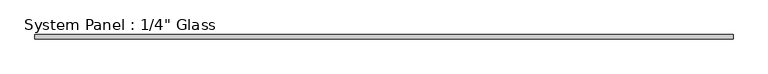
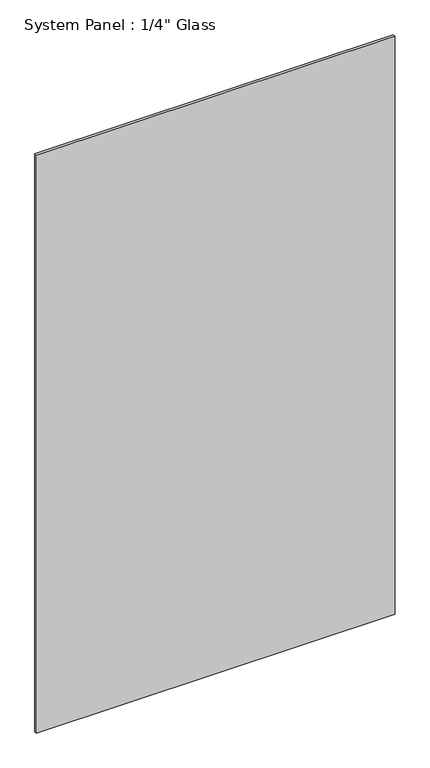
"""IFC4 building model written with IfcOpenShell, lengths in millimetres: plate geometry."""

import ifcopenshell
import ifcopenshell.guid

model = None  # the IFC model being written
_history = None  # IfcOwnerHistory: only IFC2X3 demands one
_inside = {}  # id of a spatial element -> (the spatial element, [elements in it])
_under = {}  # id of a project, library or spatial element -> (it, [spatial elements below it])
_declared = {}  # id of a project -> (the project, [libraries it declares])
_typed = {}  # id of a type object -> (the type object, [elements of that type])
_made_of = {}  # id of a material, layer set ... -> (it, [elements and type objects made of it])


def new_model(schema):
    """Start an empty IFC model of exactly this schema.

    Asked for "IFC4X3", IfcOpenShell would pick the latest addendum, in which some entities
    have other attributes; the version numbers below select the first issue.
    IFC2X3 requires an IfcOwnerHistory on every rooted entity: one is made here for all.
    """
    global model, _history
    if schema == "IFC4X3":
        model = ifcopenshell.file(schema_version=(4, 3, 0, 0))
    else:
        model = ifcopenshell.file(schema=schema)
    _inside.clear()
    _under.clear()
    _declared.clear()
    _typed.clear()
    _made_of.clear()
    _history = None
    if model.schema == "IFC2X3":
        org = make("IfcOrganization", Name="unknown")
        user = make(
            "IfcPersonAndOrganization",
            ThePerson=make("IfcPerson", FamilyName="unknown"),
            TheOrganization=org,
        )
        app = make(
            "IfcApplication",
            ApplicationDeveloper=org,
            Version="unknown",
            ApplicationFullName="unknown",
            ApplicationIdentifier="unknown",
        )
        _history = make(
            "IfcOwnerHistory",
            OwningUser=user,
            OwningApplication=app,
            ChangeAction="ADDED",
            CreationDate=0,
        )
    return model


def make(cls, **values):
    """One entity of the class cls with the attributes given. An attribute that is None is left unset."""
    return model.create_entity(
        cls, **{name: value for name, value in values.items() if value is not None}
    )


def rooted(cls, **values):
    """An entity with a GlobalId (a new one), such as an element, a storey or a relation."""
    return make(cls, GlobalId=ifcopenshell.guid.new(), OwnerHistory=_history, **values)


def si_unit(unit_type, name, prefix=None):
    """IfcSIUnit, for example si_unit("LENGTHUNIT", "METRE", prefix="MILLI")."""
    return make("IfcSIUnit", UnitType=unit_type, Prefix=prefix, Name=name)


def assignment(units):
    """IfcUnitAssignment: the units of a project."""
    return None if units is None else make("IfcUnitAssignment", Units=units)


def point(xyz):
    """IfcCartesianPoint."""
    return None if xyz is None else make("IfcCartesianPoint", Coordinates=xyz)


def direction(xyz):
    """IfcDirection."""
    return None if xyz is None else make("IfcDirection", DirectionRatios=xyz)


def frame(location, z_axis=None, x_axis=None):
    """IfcAxis2Placement3D, a coordinate frame: its origin and axes. An axis left out is left unset."""
    return make(
        "IfcAxis2Placement3D",
        Location=point(location),
        Axis=direction(z_axis),
        RefDirection=direction(x_axis),
    )


def origin():
    """The frame at (0, 0, 0) with its axes left unset."""
    return frame((0.0, 0.0, 0.0))


def origin_with_axes():
    """The frame at (0, 0, 0) with the z axis (0, 0, 1) and the x axis (1, 0, 0) written out."""
    return frame((0.0, 0.0, 0.0), z_axis=(0.0, 0.0, 1.0), x_axis=(1.0, 0.0, 0.0))


def place(relative_to, where):
    """IfcLocalPlacement: puts the frame where relative to a parent placement (None: the world)."""
    return make(
        "IfcLocalPlacement", PlacementRelTo=relative_to, RelativePlacement=where
    )


def context(
    kind, dimensions, precision=None, world=None, true_north=None, identifier=None
):
    """IfcGeometricRepresentationContext, for example the 3D "Model" context."""
    return make(
        "IfcGeometricRepresentationContext",
        ContextIdentifier=identifier,
        ContextType=kind,
        CoordinateSpaceDimension=dimensions,
        Precision=precision,
        WorldCoordinateSystem=world,
        TrueNorth=true_north,
    )


def project(units=None, contexts=None):
    """IfcProject with its units and contexts."""
    return rooted(
        "IfcProject",
        Name="project",
        RepresentationContexts=contexts,
        UnitsInContext=assignment(units),
    )


def spatial(cls, under=None, at=None, **own):
    """A site, building, storey or space (cls), placed at a placement, below another one or the project."""
    s = rooted(cls, ObjectPlacement=at, **own)
    if under is not None:
        _under.setdefault(under.id(), (under, []))[1].append(s)
    return s


def polyline(points):
    """IfcPolyline through the points."""
    return make("IfcPolyline", Points=[point(p) for p in points])


def outline(outer, holes=None, kind="AREA"):
    """IfcArbitraryClosedProfileDef: a profile drawn as a closed curve; with holes, ...WithVoids."""
    if holes is None:
        return make("IfcArbitraryClosedProfileDef", ProfileType=kind, OuterCurve=outer)
    return make(
        "IfcArbitraryProfileDefWithVoids",
        ProfileType=kind,
        OuterCurve=outer,
        InnerCurves=holes,
    )


def extrude(swept, where, along, depth):
    """IfcExtrudedAreaSolid: the profile swept, set in the frame where, extruded along a direction by depth."""
    return make(
        "IfcExtrudedAreaSolid",
        SweptArea=swept,
        Position=where,
        ExtrudedDirection=direction(along),
        Depth=depth,
    )


def shape(context_of_items, identifier, shape_type, items):
    """IfcShapeRepresentation: the items that make up one representation, for example the "Body"."""
    return make(
        "IfcShapeRepresentation",
        ContextOfItems=context_of_items,
        RepresentationIdentifier=identifier,
        RepresentationType=shape_type,
        Items=items,
    )


def source(mapping_origin, context_of_items, identifier, shape_type, items):
    """IfcRepresentationMap: a shape defined once, which mapped items show again and again."""
    return make(
        "IfcRepresentationMap",
        MappingOrigin=mapping_origin,
        MappedRepresentation=shape(context_of_items, identifier, shape_type, items),
    )


def transform(
    local_origin,
    x_axis=None,
    y_axis=None,
    z_axis=None,
    scale=None,
    scale2=None,
    scale3=None,
    uniform=True,
):
    """IfcCartesianTransformationOperator3D, or its non-uniform kind. x_axis, y_axis, z_axis: its Axis1, 2, 3."""
    if uniform:
        return make(
            "IfcCartesianTransformationOperator3D",
            Axis1=direction(x_axis),
            Axis2=direction(y_axis),
            LocalOrigin=point(local_origin),
            Scale=scale,
            Axis3=direction(z_axis),
        )
    return make(
        "IfcCartesianTransformationOperator3DnonUniform",
        Axis1=direction(x_axis),
        Axis2=direction(y_axis),
        LocalOrigin=point(local_origin),
        Scale=scale,
        Axis3=direction(z_axis),
        Scale2=scale2,
        Scale3=scale3,
    )


def mapped(mapping_source, mapping_target):
    """IfcMappedItem: shows the shape of a source again, moved by a transform."""
    return make(
        "IfcMappedItem", MappingSource=mapping_source, MappingTarget=mapping_target
    )


def made_of(thing, what):
    """Note that an element or type object is made of a material, layer set ...; save() writes the relation."""
    if what is not None:
        _made_of.setdefault(what.id(), (what, []))[1].append(thing)
    return thing


def element(
    cls,
    number,
    at=None,
    inside=None,
    cuts=None,
    type_object=None,
    material=None,
    context=None,
    identifier="Body",
    shape_type=None,
    held_by="IfcProductDefinitionShape",
    body=None,
    shapes=None,
    **own,
):
    """One element of the class cls, such as IfcWall. Its Tag is "e" and its number.

    at: its placement. inside: the storey or other place that contains it. cuts: it is an
    opening in that element (IfcRelVoidsElement). A single representation is given by context,
    identifier, shape_type and body (its items); several are given by shapes. held_by: the class
    of the entity that holds the representations. save() writes the other relations.
    """
    e = rooted(cls, Tag="e%d" % number, ObjectPlacement=at, **own)
    if body is not None:
        shapes = [shape(context, identifier, shape_type, body)]
    if shapes is not None:
        e.Representation = make(held_by, Representations=shapes)
    if inside is not None:
        _inside.setdefault(inside.id(), (inside, []))[1].append(e)
    if cuts is not None:
        rooted(
            "IfcRelVoidsElement", RelatingBuildingElement=cuts, RelatedOpeningElement=e
        )
    if type_object is not None:
        _typed.setdefault(type_object.id(), (type_object, []))[1].append(e)
    return made_of(e, material)


def aggregate(whole, parts):
    """IfcRelAggregates: a whole, such as a stair, and the parts it consists of."""
    return rooted("IfcRelAggregates", RelatingObject=whole, RelatedObjects=parts)


def save(model, path):
    """Write the relations noted so far, then the file.

    IfcRelAggregates (storeys below a building ...), IfcRelContainedInSpatialStructure (elements
    in a storey), IfcRelDefinesByType, IfcRelAssociatesMaterial and IfcRelDeclares: one each for
    every whole, place, type object, material and project.
    """
    for whole, parts in _under.values():
        aggregate(whole, parts)
    for where, things in _inside.values():
        rooted(
            "IfcRelContainedInSpatialStructure",
            RelatedElements=things,
            RelatingStructure=where,
        )
    for kind, things in _typed.values():
        rooted("IfcRelDefinesByType", RelatedObjects=things, RelatingType=kind)
    for what, things in _made_of.values():
        rooted("IfcRelAssociatesMaterial", RelatedObjects=things, RelatingMaterial=what)
    for by, libraries in _declared.values():
        rooted("IfcRelDeclares", RelatingContext=by, RelatedDefinitions=libraries)
    model.write(path)


def plate_610e637f(model_context):
    return source(origin(), model_context, "Body", "SweptSolid", [
        extrude(outline(polyline([(511.175, -3.175), (-511.175, -3.175), (-511.175, 3.175), (511.175, 3.175), (511.175, -3.175)])), origin_with_axes(), (0.0, 0.0, 1.0), 1739.9),
    ])


if __name__ == "__main__":
    model = new_model("IFC4")
    model_context = context("Model", 3, world=origin())
    ifc_project = project(units=[si_unit("LENGTHUNIT", "METRE", prefix="MILLI")], contexts=[model_context])
    site = spatial("IfcSite", under=ifc_project)
    building = spatial("IfcBuilding", under=site)
    placement = place(None, origin())
    plate_shape = plate_610e637f(model_context)
    element("IfcPlate", 1, ObjectType="System Panel : 1/4\" Glass", at=placement, inside=building, context=model_context, shape_type="MappedRepresentation", body=[
        mapped(plate_shape, transform((0.0, 0.0, 0.0), x_axis=(1.0, 0.0, 0.0), y_axis=(0.0, 1.0, 0.0), z_axis=(0.0, 0.0, 1.0))),
    ])
    save(model, "model.ifc")
